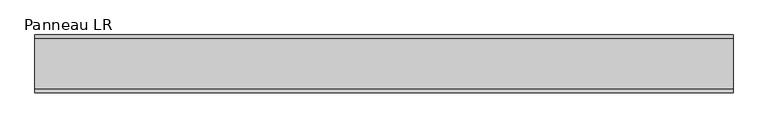
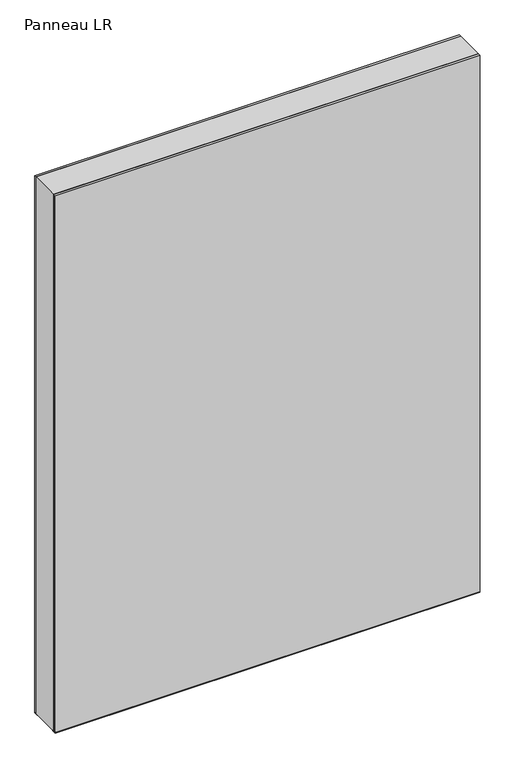
"""IFC4 building model written with IfcOpenShell, lengths in millimetres: plate geometry, Panneau LR."""

from ifc_helpers import new_model, si_unit, frame, origin, origin_with_axes, place, context, project, spatial, polyline, outline, extrude, source, transform, mapped, element, save


def panneau_lr_88ca9bab(model_context):
    return source(origin(), model_context, "Body", "SweptSolid", [
        extrude(outline(polyline([(1453.5, 544.1875001), (1453.5, -544.1875001), (0.0, -544.1875001), (0.0, 544.1875001), (1453.5, 544.1875001)]), holes=[polyline([(60.0, -504.1875001), (1427.5, -504.1875001), (1427.5, 504.1875001), (60.0, 504.1875001), (60.0, -504.1875001)])]), frame((0.0, -39.0, 0.0), z_axis=(0.0, 1.0, 0.0), x_axis=(0.0, 0.0, 1.0)), (0.0, 0.0, 1.0), 78.0),
        extrude(outline(polyline([(-544.1875001, 35.0), (-544.1875001, 45.0), (544.1875001, 45.0), (544.1875001, 35.0), (-544.1875001, 35.0)])), frame((0.0, 0.0, -1.5), z_axis=(0.0, 0.0, 1.0), x_axis=(1.0, 0.0, 0.0)), (0.0, 0.0, 1.0), 1.5),
        extrude(outline(polyline([(-544.1875001, -45.0), (-544.1875001, -35.0), (544.1875001, -35.0), (544.1875001, -45.0), (-544.1875001, -45.0)])), frame((0.0, 0.0, -1.5), z_axis=(0.0, 0.0, 1.0), x_axis=(1.0, 0.0, 0.0)), (0.0, 0.0, 1.0), 1.5),
        extrude(outline(polyline([(544.1875001, 39.0), (-544.1875001, 39.0), (-544.1875001, 45.0), (544.1875001, 45.0), (544.1875001, 39.0)])), origin_with_axes(), (0.0, 0.0, 1.0), 1453.5),
        extrude(outline(polyline([(-544.1875001, -45.0), (-544.1875001, -39.0), (544.1875001, -39.0), (544.1875001, -45.0), (-544.1875001, -45.0)])), origin_with_axes(), (0.0, 0.0, 1.0), 1453.5),
    ])


if __name__ == "__main__":
    model = new_model("IFC4")
    model_context = context("Model", 3, world=origin())
    ifc_project = project(units=[si_unit("LENGTHUNIT", "METRE", prefix="MILLI")], contexts=[model_context])
    site = spatial("IfcSite", under=ifc_project)
    building = spatial("IfcBuilding", under=site)
    placement = place(None, origin())
    panneau_lr_shape = panneau_lr_88ca9bab(model_context)
    element("IfcPlate", 1, ObjectType="Panneau LR", at=placement, inside=building, context=model_context, shape_type="MappedRepresentation", body=[
        mapped(panneau_lr_shape, transform((0.0, 0.0, 0.0), x_axis=(1.0, 0.0, 0.0), y_axis=(0.0, 1.0, 0.0), z_axis=(0.0, 0.0, 1.0))),
    ])
    save(model, "model.ifc")
